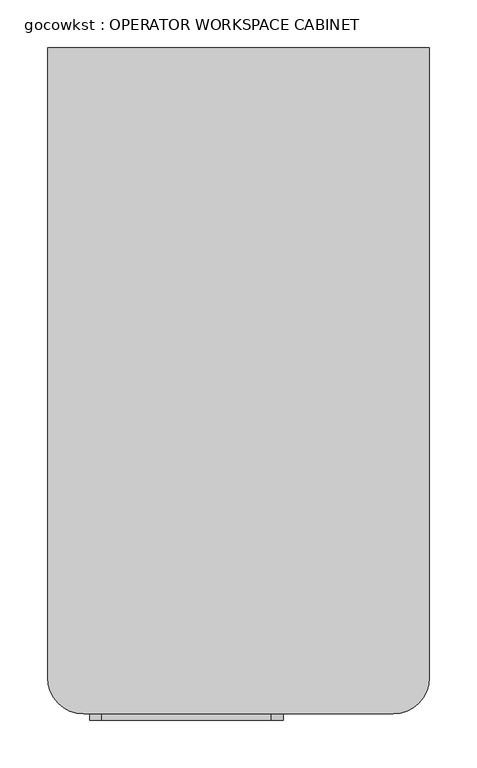
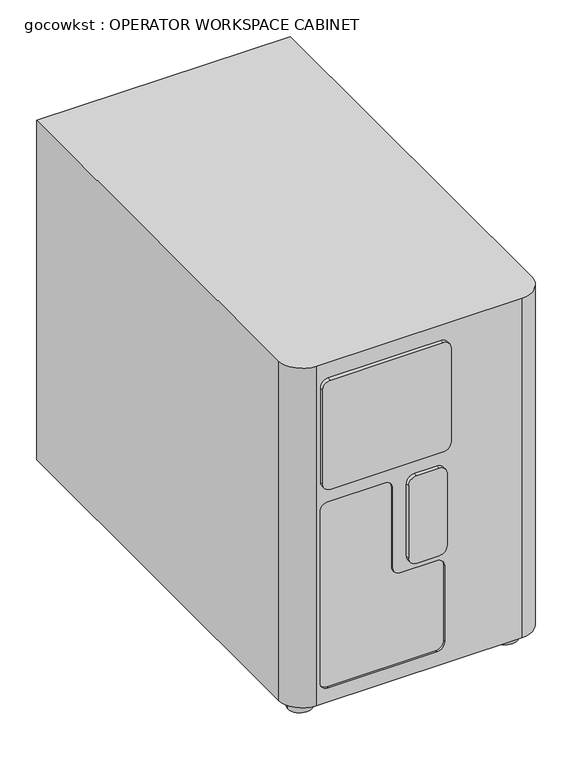
"""IFC4 building model written with IfcOpenShell, lengths in millimetres: proxy geometry, gocowkst : OPERATOR WORKSPACE CABINET."""

from ifc_helpers import new_model, si_unit, point, frame, frame_2d, origin, origin_with_axes, place, context, project, spatial, polyline, circle_curve, trimmed, segment, composite_curve, outline, extrude, source, transform, mapped, element, save
from ifc_brep_helpers import plane_surface, cylinder_surface, revolved_surface, advanced_brep


def gocowkst_operator_workspace_cabinet_3dfa7de3(model_context):
    return source(origin(), model_context, "Body", "SolidModel", [
        extrude(outline(composite_curve([segment(trimmed(circle_curve(frame_2d((-162.433, 305.562)), 19.05), [point((-181.483, 305.562))], [point((-143.383, 305.562))], False, "CARTESIAN"), True, "CONTINUOUS"), segment(trimmed(circle_curve(frame_2d((-162.433, 305.562)), 19.05), [point((-143.383, 305.562))], [point((-181.483, 305.562))], False, "CARTESIAN"), True, "CONTINUOUS")], self_intersect=False)), origin_with_axes(), (0.0, 0.0, 1.0), 25.4),
        extrude(outline(composite_curve([segment(trimmed(circle_curve(frame_2d((162.433, 305.562)), 19.05), [point((181.483, 305.562))], [point((143.383, 305.562))], False, "CARTESIAN"), True, "CONTINUOUS"), segment(trimmed(circle_curve(frame_2d((162.433, 305.562)), 19.05), [point((143.383, 305.562))], [point((181.483, 305.562))], False, "CARTESIAN"), True, "CONTINUOUS")], self_intersect=False)), origin_with_axes(), (0.0, 0.0, 1.0), 25.4),
        extrude(outline(composite_curve([segment(trimmed(circle_curve(frame_2d((-162.433, -305.562)), 19.05), [point((-181.483, -305.562))], [point((-143.383, -305.562))], False, "CARTESIAN"), True, "CONTINUOUS"), segment(trimmed(circle_curve(frame_2d((-162.433, -305.562)), 19.05), [point((-143.383, -305.562))], [point((-181.483, -305.562))], False, "CARTESIAN"), True, "CONTINUOUS")], self_intersect=False)), origin_with_axes(), (0.0, 0.0, 1.0), 25.4),
        extrude(outline(composite_curve([segment(trimmed(circle_curve(frame_2d((162.433, -305.562)), 19.05), [point((181.483, -305.562))], [point((143.383, -305.562))], False, "CARTESIAN"), True, "CONTINUOUS"), segment(trimmed(circle_curve(frame_2d((162.433, -305.562)), 19.05), [point((143.383, -305.562))], [point((181.483, -305.562))], False, "CARTESIAN"), True, "CONTINUOUS")], self_intersect=False)), origin_with_axes(), (0.0, 0.0, 1.0), 25.4),
        extrude(outline(composite_curve([segment(trimmed(circle_curve(frame_2d((321.945, -98.933)), 12.7), [point((321.945, -111.633))], [point((321.945, -86.233))], False, "CARTESIAN"), True, "CONTINUOUS"), segment(trimmed(circle_curve(frame_2d((321.945, -98.933)), 12.7), [point((321.945, -86.233))], [point((321.945, -111.633))], False, "CARTESIAN"), True, "CONTINUOUS")], self_intersect=False)), frame((0.0, 72.9895201, 0.0), z_axis=(0.0, 1.0, 0.0), x_axis=(0.0, 0.0, 1.0)), (0.0, 0.0, 1.0), 6.5873591),
        advanced_brep(
        [(200.533, 350.012, 593.09), (-200.533, 350.012, 593.09), (-200.533, -311.912, 593.09), (-162.433, -350.012, 593.09), (162.433, -350.012, 593.09), (200.533, -311.912, 593.09), (200.533, 350.012, 25.4), (200.533, -311.912, 25.4), (162.433, -350.012, 25.4), (-162.433, -350.012, 25.4), (-200.533, -311.912, 25.4), (-200.533, 350.012, 25.4), (-143.383, -350.012, 360.045), (-54.483, -350.012, 360.045), (-41.783, -350.012, 347.345), (-41.783, -350.012, 213.995), (-29.083, -350.012, 201.295), (28.067, -350.012, 201.295), (40.767, -350.012, 188.595), (40.767, -350.012, 61.595), (28.067, -350.012, 48.895), (-143.383, -350.012, 48.895), (-156.083, -350.012, 61.595), (-156.083, -350.012, 347.345), (-54.483, -346.6351208, 360.045), (-143.383, -346.6351208, 360.045), (-156.083, -346.6351208, 347.345), (-156.083, -346.6351208, 61.595), (-143.383, -346.6351208, 48.895), (28.067, -346.6351208, 48.895), (40.767, -346.6351208, 61.595), (40.767, -346.6351208, 188.595), (28.067, -346.6351208, 201.295), (-29.083, -346.6351208, 201.295), (-41.783, -346.6351208, 213.995), (-41.783, -346.6351208, 347.345)],
        [
            (0, 1),
            (1, 2),
            (2, 3, circle_curve(frame((-162.433, -311.912, 593.09), z_axis=(0.0, 0.0, 1.0), x_axis=(1.0, 0.0, 0.0)), 38.1)),
            (3, 4),
            (4, 5, circle_curve(frame((162.433, -311.912, 593.09), z_axis=(0.0, 0.0, 1.0), x_axis=(1.0, 0.0, 0.0)), 38.1)),
            (5, 0),
            (6, 7),
            (7, 8, circle_curve(frame((162.433, -311.912, 25.4), z_axis=(0.0, 0.0, -1.0), x_axis=(1.0, 0.0, 0.0)), 38.1)),
            (8, 9),
            (9, 10, circle_curve(frame((-162.433, -311.912, 25.4), z_axis=(0.0, 0.0, -1.0), x_axis=(1.0, 0.0, 0.0)), 38.1)),
            (10, 11),
            (11, 6),
            (0, 6),
            (11, 1),
            (10, 2),
            (9, 3),
            (8, 4),
            (12, 13),
            (13, 14, circle_curve(frame((-54.483, -350.012, 347.345), z_axis=(0.0, 1.0, 0.0), x_axis=(1.0, 0.0, 0.0)), 12.7)),
            (14, 15),
            (15, 16, circle_curve(frame((-29.083, -350.012, 213.995), z_axis=(0.0, -1.0, 0.0), x_axis=(1.0, 0.0, 0.0)), 12.7)),
            (16, 17),
            (17, 18, circle_curve(frame((28.067, -350.012, 188.595), z_axis=(0.0, 1.0, 0.0), x_axis=(1.0, 0.0, 0.0)), 12.7)),
            (18, 19),
            (19, 20, circle_curve(frame((28.067, -350.012, 61.595), z_axis=(0.0, 1.0, 0.0), x_axis=(1.0, 0.0, 0.0)), 12.7)),
            (20, 21),
            (21, 22, circle_curve(frame((-143.383, -350.012, 61.595), z_axis=(0.0, 1.0, 0.0), x_axis=(1.0, 0.0, 0.0)), 12.7)),
            (22, 23),
            (23, 12, circle_curve(frame((-143.383, -350.012, 347.345), z_axis=(0.0, 1.0, 0.0), x_axis=(1.0, 0.0, 0.0)), 12.7)),
            (7, 5),
            (24, 25),
            (25, 26, circle_curve(frame((-143.383, -346.6351208, 347.345), z_axis=(0.0, -1.0, 0.0), x_axis=(1.0, 0.0, 0.0)), 12.7)),
            (26, 27),
            (27, 28, circle_curve(frame((-143.383, -346.6351208, 61.595), z_axis=(0.0, -1.0, 0.0), x_axis=(1.0, 0.0, 0.0)), 12.7)),
            (28, 29),
            (29, 30, circle_curve(frame((28.067, -346.6351208, 61.595), z_axis=(0.0, -1.0, 0.0), x_axis=(1.0, 0.0, 0.0)), 12.7)),
            (30, 31),
            (31, 32, circle_curve(frame((28.067, -346.6351208, 188.595), z_axis=(0.0, -1.0, 0.0), x_axis=(1.0, 0.0, 0.0)), 12.7)),
            (32, 33),
            (33, 34, circle_curve(frame((-29.083, -346.6351208, 213.995), z_axis=(0.0, 1.0, 0.0), x_axis=(1.0, 0.0, 0.0)), 12.7)),
            (34, 35),
            (35, 24, circle_curve(frame((-54.483, -346.6351208, 347.345), z_axis=(0.0, -1.0, 0.0), x_axis=(1.0, 0.0, 0.0)), 12.7)),
            (24, 13),
            (12, 25),
            (23, 26),
            (22, 27),
            (21, 28),
            (20, 29),
            (19, 30),
            (18, 31),
            (17, 32),
            (16, 33),
            (15, 34),
            (14, 35),
        ],
        [
            plane_surface(frame((-200.533, 350.012, 593.09), z_axis=(0.0, 0.0, 1.0), x_axis=(-1.0, 0.0, 0.0))),
            plane_surface(frame((-200.533, 350.012, 25.4), z_axis=(0.0, 0.0, -1.0), x_axis=(1.0, 0.0, 0.0))),
            plane_surface(frame((200.533, 350.012, 593.09), z_axis=(0.0, 1.0, 0.0), x_axis=(0.0, 0.0, -1.0))),
            plane_surface(frame((-200.533, 350.012, 593.09), z_axis=(-1.0, 0.0, 0.0), x_axis=(0.0, 0.0, -1.0))),
            cylinder_surface(frame((-162.433, -311.912, 25.4), z_axis=(0.0, 0.0, 1.0), x_axis=(1.0, 0.0, 0.0)), 38.1),
            plane_surface(frame((-162.433, -350.012, 593.09), z_axis=(0.0, -1.0, 0.0), x_axis=(0.0, 0.0, -1.0))),
            cylinder_surface(frame((162.433, -311.912, 25.4), z_axis=(0.0, 0.0, 1.0), x_axis=(1.0, 0.0, 0.0)), 38.1),
            plane_surface(frame((200.533, -311.912, 593.09), z_axis=(1.0, 0.0, 0.0), x_axis=(0.0, 0.0, -1.0))),
            plane_surface(frame((-143.383, -346.6351208, 360.045), z_axis=(0.0, -1.0, 0.0), x_axis=(1.0, 0.0, 0.0))),
            plane_surface(frame((-54.483, -361.6412807, 360.045), z_axis=(0.0, 0.0, -1.0), x_axis=(0.0, 1.0, 0.0))),
            revolved_surface(polyline([(-130.68300000000002, -350.012, 347.345), (-130.68300000000002, -346.6351208, 347.345)]), (-143.383, -346.6351208, 347.345), (0.0, -1.0, 0.0)),
            plane_surface(frame((-156.083, -361.6412807, 347.345), z_axis=(1.0, 0.0, 0.0), x_axis=(0.0, 1.0, 0.0))),
            revolved_surface(polyline([(-130.68300000000002, -350.012, 61.595), (-130.68300000000002, -346.6351208, 61.595)]), (-143.383, -346.6351208, 61.595), (0.0, -1.0, 0.0)),
            plane_surface(frame((-143.383, -361.6412807, 48.895), z_axis=(0.0, 0.0, 1.0), x_axis=(0.0, 1.0, 0.0))),
            revolved_surface(polyline([(40.766999999999996, -350.012, 61.595), (40.766999999999996, -346.6351208, 61.595)]), (28.067, -346.6351208, 61.595), (0.0, -1.0, 0.0)),
            plane_surface(frame((40.767, -361.6412807, 61.595), z_axis=(-1.0, 0.0, 0.0), x_axis=(0.0, 1.0, 0.0))),
            revolved_surface(polyline([(40.766999999999996, -350.012, 188.595), (40.766999999999996, -346.6351208, 188.595)]), (28.067, -346.6351208, 188.595), (0.0, -1.0, 0.0)),
            plane_surface(frame((28.067, -361.6412807, 201.295), z_axis=(0.0, 0.0, -1.0), x_axis=(0.0, 1.0, 0.0))),
            cylinder_surface(frame((-29.083, -346.6351208, 213.995), z_axis=(0.0, 1.0, 0.0), x_axis=(1.0, 0.0, 0.0)), 12.7),
            plane_surface(frame((-41.783, -361.6412807, 213.995), z_axis=(-1.0, 0.0, 0.0), x_axis=(0.0, 1.0, 0.0))),
            revolved_surface(polyline([(-41.783, -350.012, 347.345), (-41.783, -346.6351208, 347.345)]), (-54.483, -346.6351208, 347.345), (0.0, -1.0, 0.0)),
        ],
        [
            (0, [[1, 2, 3, 4, 5, 6]]),
            (1, [[7, 8, 9, 10, 11, 12]]),
            (2, [[-1, 13, -12, 14]]),
            (3, [[-2, -14, -11, 15]]),
            (4, [[-3, -15, -10, 16]]),
            (5, [[-4, -16, -9, 17], [18, 19, 20, 21, 22, 23, 24, 25, 26, 27, 28, 29]]),
            (6, [[-5, -17, -8, 30]]),
            (7, [[-6, -30, -7, -13]]),
            (8, [[31, 32, 33, 34, 35, 36, 37, 38, 39, 40, 41, 42]]),
            (9, [[-31, 43, -18, 44]]),
            (10, [[-32, -44, -29, 45]]),
            (11, [[-33, -45, -28, 46]]),
            (12, [[-34, -46, -27, 47]]),
            (13, [[-35, -47, -26, 48]]),
            (14, [[-36, -48, -25, 49]]),
            (15, [[-37, -49, -24, 50]]),
            (16, [[-38, -50, -23, 51]]),
            (17, [[-39, -51, -22, 52]]),
            (18, [[-40, -52, -21, 53]]),
            (19, [[-41, -53, -20, 54]]),
            (20, [[-42, -54, -19, -43]]),
        ],
    ),
        extrude(outline(composite_curve([segment(polyline([(385.445, -143.383), (385.445, 34.417)]), True, "CONTINUOUS"), segment(trimmed(circle_curve(frame_2d((398.145, 34.417)), 12.7), [point((385.445, 34.417))], [point((398.145, 47.117))], False, "CARTESIAN"), True, "CONTINUOUS"), segment(polyline([(398.145, 47.117), (554.99, 47.117)]), True, "CONTINUOUS"), segment(trimmed(circle_curve(frame_2d((554.99, 34.417)), 12.7), [point((554.99, 47.117))], [point((567.69, 34.417))], False, "CARTESIAN"), True, "CONTINUOUS"), segment(polyline([(567.69, 34.417), (567.69, -143.383)]), True, "CONTINUOUS"), segment(trimmed(circle_curve(frame_2d((554.99, -143.383)), 12.7), [point((567.69, -143.383))], [point((554.99, -156.083))], False, "CARTESIAN"), True, "CONTINUOUS"), segment(polyline([(554.99, -156.083), (398.145, -156.083)]), True, "CONTINUOUS"), segment(trimmed(circle_curve(frame_2d((398.145, -143.383)), 12.7), [point((398.145, -156.083))], [point((385.445, -143.383))], False, "CARTESIAN"), True, "CONTINUOUS")], self_intersect=False)), frame((0.0, -356.8489782, 0.0), z_axis=(0.0, 1.0, 0.0), x_axis=(0.0, 0.0, 1.0)), (0.0, 0.0, 1.0), 6.8369782),
        extrude(outline(composite_curve([segment(polyline([(226.695, 40.767), (347.345, 40.767)]), True, "CONTINUOUS"), segment(trimmed(circle_curve(frame_2d((347.345, 28.067)), 12.7), [point((347.345, 40.767))], [point((360.045, 28.067))], False, "CARTESIAN"), True, "CONTINUOUS"), segment(polyline([(360.045, 28.067), (360.045, -7.4027439)]), True, "CONTINUOUS"), segment(trimmed(circle_curve(frame_2d((347.345, -7.4027439)), 12.7), [point((360.045, -7.4027439))], [point((347.345, -20.1027439))], False, "CARTESIAN"), True, "CONTINUOUS"), segment(polyline([(347.345, -20.1027439), (226.695, -20.1027439)]), True, "CONTINUOUS"), segment(trimmed(circle_curve(frame_2d((226.695, -7.4027439)), 12.7), [point((226.695, -20.1027439))], [point((213.995, -7.4027439))], False, "CARTESIAN"), True, "CONTINUOUS"), segment(polyline([(213.995, -7.4027439), (213.995, 28.067)]), True, "CONTINUOUS"), segment(trimmed(circle_curve(frame_2d((226.695, 28.067)), 12.7), [point((213.995, 28.067))], [point((226.695, 40.767))], False, "CARTESIAN"), True, "CONTINUOUS")], self_intersect=False)), frame((0.0, -356.8489782, 0.0), z_axis=(0.0, 1.0, 0.0), x_axis=(0.0, 0.0, 1.0)), (0.0, 0.0, 1.0), 6.8369782),
    ])


if __name__ == "__main__":
    model = new_model("IFC4")
    model_context = context("Model", 3, world=origin())
    ifc_project = project(units=[si_unit("LENGTHUNIT", "METRE", prefix="MILLI")], contexts=[model_context])
    site = spatial("IfcSite", under=ifc_project)
    building = spatial("IfcBuilding", under=site)
    placement = place(None, origin())
    gocowkst_operator_workspace_cabinet_shape = gocowkst_operator_workspace_cabinet_3dfa7de3(model_context)
    element("IfcBuildingElementProxy", 1, Name="gocowkst : OPERATOR WORKSPACE CABINET", ObjectType="gocowkst : OPERATOR WORKSPACE CABINET", at=placement, inside=building, context=model_context, shape_type="MappedRepresentation", body=[
        mapped(gocowkst_operator_workspace_cabinet_shape, transform((0.0, 0.0, 0.0), x_axis=(1.0, 0.0, 0.0), y_axis=(0.0, 1.0, 0.0), z_axis=(0.0, 0.0, 1.0))),
    ])
    save(model, "model.ifc")
